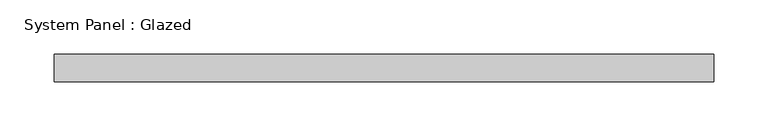
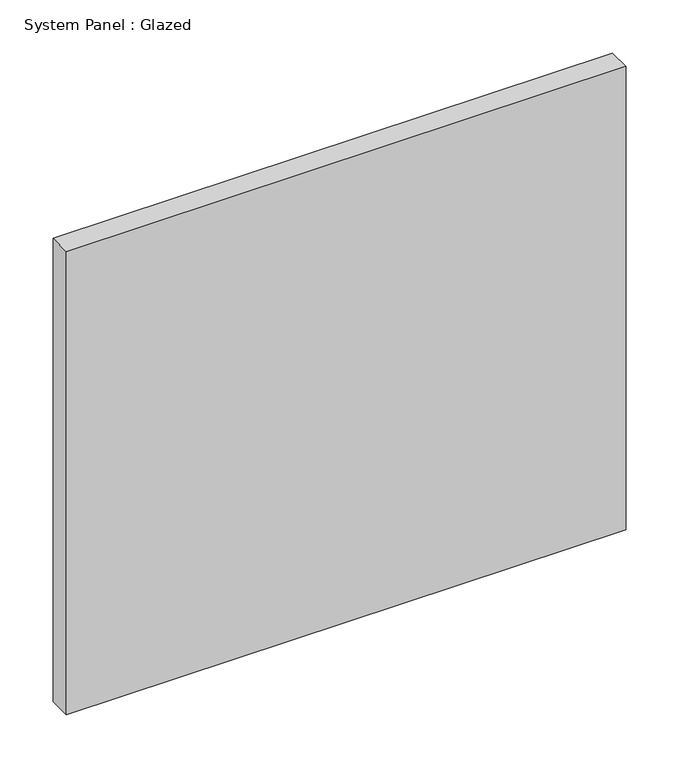
"""IFC4 building model written with IfcOpenShell, lengths in millimetres: plate geometry, System Panel : Glazed."""

import ifcopenshell
import ifcopenshell.guid

model = None  # the IFC model being written
_history = None  # IfcOwnerHistory: only IFC2X3 demands one
_inside = {}  # id of a spatial element -> (the spatial element, [elements in it])
_under = {}  # id of a project, library or spatial element -> (it, [spatial elements below it])
_declared = {}  # id of a project -> (the project, [libraries it declares])
_typed = {}  # id of a type object -> (the type object, [elements of that type])
_made_of = {}  # id of a material, layer set ... -> (it, [elements and type objects made of it])


def new_model(schema):
    """Start an empty IFC model of exactly this schema.

    Asked for "IFC4X3", IfcOpenShell would pick the latest addendum, in which some entities
    have other attributes; the version numbers below select the first issue.
    IFC2X3 requires an IfcOwnerHistory on every rooted entity: one is made here for all.
    """
    global model, _history
    if schema == "IFC4X3":
        model = ifcopenshell.file(schema_version=(4, 3, 0, 0))
    else:
        model = ifcopenshell.file(schema=schema)
    _inside.clear()
    _under.clear()
    _declared.clear()
    _typed.clear()
    _made_of.clear()
    _history = None
    if model.schema == "IFC2X3":
        org = make("IfcOrganization", Name="unknown")
        user = make(
            "IfcPersonAndOrganization",
            ThePerson=make("IfcPerson", FamilyName="unknown"),
            TheOrganization=org,
        )
        app = make(
            "IfcApplication",
            ApplicationDeveloper=org,
            Version="unknown",
            ApplicationFullName="unknown",
            ApplicationIdentifier="unknown",
        )
        _history = make(
            "IfcOwnerHistory",
            OwningUser=user,
            OwningApplication=app,
            ChangeAction="ADDED",
            CreationDate=0,
        )
    return model


def make(cls, **values):
    """One entity of the class cls with the attributes given. An attribute that is None is left unset."""
    return model.create_entity(
        cls, **{name: value for name, value in values.items() if value is not None}
    )


def rooted(cls, **values):
    """An entity with a GlobalId (a new one), such as an element, a storey or a relation."""
    return make(cls, GlobalId=ifcopenshell.guid.new(), OwnerHistory=_history, **values)


def si_unit(unit_type, name, prefix=None):
    """IfcSIUnit, for example si_unit("LENGTHUNIT", "METRE", prefix="MILLI")."""
    return make("IfcSIUnit", UnitType=unit_type, Prefix=prefix, Name=name)


def assignment(units):
    """IfcUnitAssignment: the units of a project."""
    return None if units is None else make("IfcUnitAssignment", Units=units)


def point(xyz):
    """IfcCartesianPoint."""
    return None if xyz is None else make("IfcCartesianPoint", Coordinates=xyz)


def direction(xyz):
    """IfcDirection."""
    return None if xyz is None else make("IfcDirection", DirectionRatios=xyz)


def frame(location, z_axis=None, x_axis=None):
    """IfcAxis2Placement3D, a coordinate frame: its origin and axes. An axis left out is left unset."""
    return make(
        "IfcAxis2Placement3D",
        Location=point(location),
        Axis=direction(z_axis),
        RefDirection=direction(x_axis),
    )


def origin():
    """The frame at (0, 0, 0) with its axes left unset."""
    return frame((0.0, 0.0, 0.0))


def origin_with_axes():
    """The frame at (0, 0, 0) with the z axis (0, 0, 1) and the x axis (1, 0, 0) written out."""
    return frame((0.0, 0.0, 0.0), z_axis=(0.0, 0.0, 1.0), x_axis=(1.0, 0.0, 0.0))


def place(relative_to, where):
    """IfcLocalPlacement: puts the frame where relative to a parent placement (None: the world)."""
    return make(
        "IfcLocalPlacement", PlacementRelTo=relative_to, RelativePlacement=where
    )


def context(
    kind, dimensions, precision=None, world=None, true_north=None, identifier=None
):
    """IfcGeometricRepresentationContext, for example the 3D "Model" context."""
    return make(
        "IfcGeometricRepresentationContext",
        ContextIdentifier=identifier,
        ContextType=kind,
        CoordinateSpaceDimension=dimensions,
        Precision=precision,
        WorldCoordinateSystem=world,
        TrueNorth=true_north,
    )


def project(units=None, contexts=None):
    """IfcProject with its units and contexts."""
    return rooted(
        "IfcProject",
        Name="project",
        RepresentationContexts=contexts,
        UnitsInContext=assignment(units),
    )


def spatial(cls, under=None, at=None, **own):
    """A site, building, storey or space (cls), placed at a placement, below another one or the project."""
    s = rooted(cls, ObjectPlacement=at, **own)
    if under is not None:
        _under.setdefault(under.id(), (under, []))[1].append(s)
    return s


def polyline(points):
    """IfcPolyline through the points."""
    return make("IfcPolyline", Points=[point(p) for p in points])


def outline(outer, holes=None, kind="AREA"):
    """IfcArbitraryClosedProfileDef: a profile drawn as a closed curve; with holes, ...WithVoids."""
    if holes is None:
        return make("IfcArbitraryClosedProfileDef", ProfileType=kind, OuterCurve=outer)
    return make(
        "IfcArbitraryProfileDefWithVoids",
        ProfileType=kind,
        OuterCurve=outer,
        InnerCurves=holes,
    )


def extrude(swept, where, along, depth):
    """IfcExtrudedAreaSolid: the profile swept, set in the frame where, extruded along a direction by depth."""
    return make(
        "IfcExtrudedAreaSolid",
        SweptArea=swept,
        Position=where,
        ExtrudedDirection=direction(along),
        Depth=depth,
    )


def shape(context_of_items, identifier, shape_type, items):
    """IfcShapeRepresentation: the items that make up one representation, for example the "Body"."""
    return make(
        "IfcShapeRepresentation",
        ContextOfItems=context_of_items,
        RepresentationIdentifier=identifier,
        RepresentationType=shape_type,
        Items=items,
    )


def source(mapping_origin, context_of_items, identifier, shape_type, items):
    """IfcRepresentationMap: a shape defined once, which mapped items show again and again."""
    return make(
        "IfcRepresentationMap",
        MappingOrigin=mapping_origin,
        MappedRepresentation=shape(context_of_items, identifier, shape_type, items),
    )


def transform(
    local_origin,
    x_axis=None,
    y_axis=None,
    z_axis=None,
    scale=None,
    scale2=None,
    scale3=None,
    uniform=True,
):
    """IfcCartesianTransformationOperator3D, or its non-uniform kind. x_axis, y_axis, z_axis: its Axis1, 2, 3."""
    if uniform:
        return make(
            "IfcCartesianTransformationOperator3D",
            Axis1=direction(x_axis),
            Axis2=direction(y_axis),
            LocalOrigin=point(local_origin),
            Scale=scale,
            Axis3=direction(z_axis),
        )
    return make(
        "IfcCartesianTransformationOperator3DnonUniform",
        Axis1=direction(x_axis),
        Axis2=direction(y_axis),
        LocalOrigin=point(local_origin),
        Scale=scale,
        Axis3=direction(z_axis),
        Scale2=scale2,
        Scale3=scale3,
    )


def mapped(mapping_source, mapping_target):
    """IfcMappedItem: shows the shape of a source again, moved by a transform."""
    return make(
        "IfcMappedItem", MappingSource=mapping_source, MappingTarget=mapping_target
    )


def made_of(thing, what):
    """Note that an element or type object is made of a material, layer set ...; save() writes the relation."""
    if what is not None:
        _made_of.setdefault(what.id(), (what, []))[1].append(thing)
    return thing


def element(
    cls,
    number,
    at=None,
    inside=None,
    cuts=None,
    type_object=None,
    material=None,
    context=None,
    identifier="Body",
    shape_type=None,
    held_by="IfcProductDefinitionShape",
    body=None,
    shapes=None,
    **own,
):
    """One element of the class cls, such as IfcWall. Its Tag is "e" and its number.

    at: its placement. inside: the storey or other place that contains it. cuts: it is an
    opening in that element (IfcRelVoidsElement). A single representation is given by context,
    identifier, shape_type and body (its items); several are given by shapes. held_by: the class
    of the entity that holds the representations. save() writes the other relations.
    """
    e = rooted(cls, Tag="e%d" % number, ObjectPlacement=at, **own)
    if body is not None:
        shapes = [shape(context, identifier, shape_type, body)]
    if shapes is not None:
        e.Representation = make(held_by, Representations=shapes)
    if inside is not None:
        _inside.setdefault(inside.id(), (inside, []))[1].append(e)
    if cuts is not None:
        rooted(
            "IfcRelVoidsElement", RelatingBuildingElement=cuts, RelatedOpeningElement=e
        )
    if type_object is not None:
        _typed.setdefault(type_object.id(), (type_object, []))[1].append(e)
    return made_of(e, material)


def aggregate(whole, parts):
    """IfcRelAggregates: a whole, such as a stair, and the parts it consists of."""
    return rooted("IfcRelAggregates", RelatingObject=whole, RelatedObjects=parts)


def save(model, path):
    """Write the relations noted so far, then the file.

    IfcRelAggregates (storeys below a building ...), IfcRelContainedInSpatialStructure (elements
    in a storey), IfcRelDefinesByType, IfcRelAssociatesMaterial and IfcRelDeclares: one each for
    every whole, place, type object, material and project.
    """
    for whole, parts in _under.values():
        aggregate(whole, parts)
    for where, things in _inside.values():
        rooted(
            "IfcRelContainedInSpatialStructure",
            RelatedElements=things,
            RelatingStructure=where,
        )
    for kind, things in _typed.values():
        rooted("IfcRelDefinesByType", RelatedObjects=things, RelatingType=kind)
    for what, things in _made_of.values():
        rooted("IfcRelAssociatesMaterial", RelatedObjects=things, RelatingMaterial=what)
    for by, libraries in _declared.values():
        rooted("IfcRelDeclares", RelatingContext=by, RelatedDefinitions=libraries)
    model.write(path)


def system_panel_glazed_608e2164(model_context):
    return source(origin(), model_context, "Body", "SweptSolid", [
        extrude(outline(polyline([(304.8, -12.7), (-304.8, -12.7), (-304.8, 12.7), (304.8, 12.7), (304.8, -12.7)])), origin_with_axes(), (0.0, 0.0, 1.0), 533.4),
    ])


if __name__ == "__main__":
    model = new_model("IFC4")
    model_context = context("Model", 3, world=origin())
    ifc_project = project(units=[si_unit("LENGTHUNIT", "METRE", prefix="MILLI")], contexts=[model_context])
    site = spatial("IfcSite", under=ifc_project)
    building = spatial("IfcBuilding", under=site)
    placement = place(None, origin())
    system_panel_glazed_shape = system_panel_glazed_608e2164(model_context)
    element("IfcPlate", 1, ObjectType="System Panel : Glazed", at=placement, inside=building, context=model_context, shape_type="MappedRepresentation", body=[
        mapped(system_panel_glazed_shape, transform((0.0, 0.0, 0.0), x_axis=(1.0, 0.0, 0.0), y_axis=(0.0, 1.0, 0.0), z_axis=(0.0, 0.0, 1.0))),
    ])
    save(model, "model.ifc")
